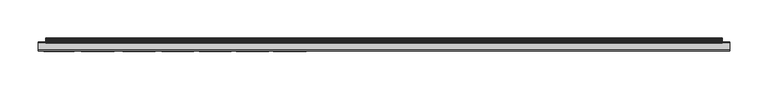
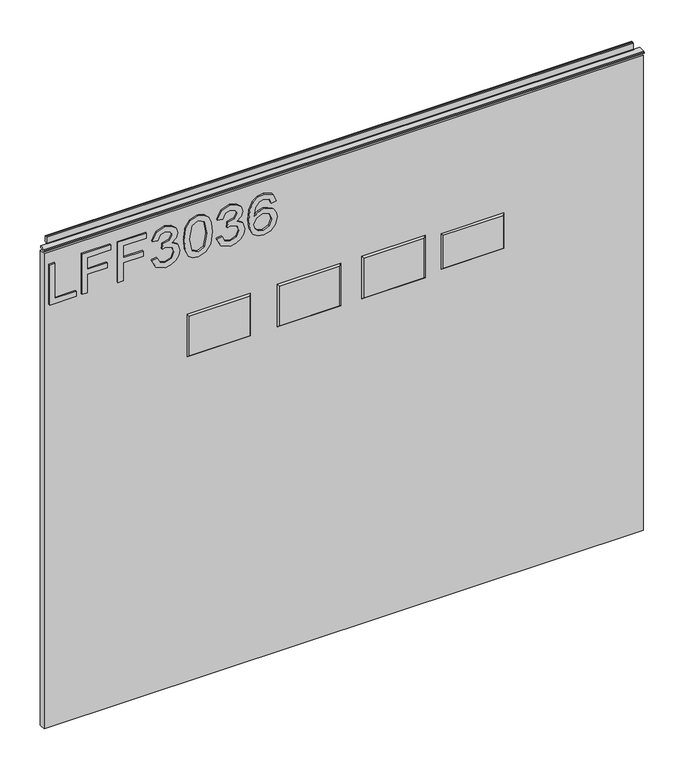
"""IFC4 building model written with IfcOpenShell, lengths in millimetres: furniture geometry."""

from ifc_helpers import new_model, si_unit, frame, origin, place, context, project, spatial, polyline, outline, extrude, faceted_brep, source, transform, mapped, element, save


def furniture_1a2e1540(model_context):
    return source(origin(), model_context, "Body", "SolidModel", [
        extrude(outline(polyline([(773.6078, -291.2164221), (773.6078, -251.347824), (781.5815196, -251.347824), (781.5815196, -283.2427025), (837.3975569, -283.2427025), (837.3975569, -291.2164221), (773.6078, -291.2164221)])), frame((0.0, -5.5495814, 0.0), z_axis=(0.0, 1.0, 0.0), x_axis=(0.0, 0.0, 1.0)), (0.0, 0.0, 1.0), 2.38125),
        extrude(outline(polyline([(773.6078, -242.3773894), (773.6078, -234.4036698), (802.5125336, -234.4036698), (802.5125336, -204.5022213), (810.4862532, -204.5022213), (810.4862532, -234.4036698), (829.4238373, -234.4036698), (829.4238373, -199.5186465), (837.3975569, -199.5186465), (837.3975569, -242.3773894), (773.6078, -242.3773894)])), frame((0.0, -5.5495814, 0.0), z_axis=(0.0, 1.0, 0.0), x_axis=(0.0, 0.0, 1.0)), (0.0, 0.0, 1.0), 2.38125),
        extrude(outline(polyline([(773.6078, -188.554782), (773.6078, -180.5810624), (802.5125336, -180.5810624), (802.5125336, -150.6796138), (810.4862532, -150.6796138), (810.4862532, -180.5810624), (829.4238373, -180.5810624), (829.4238373, -145.6960391), (837.3975569, -145.6960391), (837.3975569, -188.554782), (773.6078, -188.554782)])), frame((0.0, -5.5495814, 0.0), z_axis=(0.0, 1.0, 0.0), x_axis=(0.0, 0.0, 1.0)), (0.0, 0.0, 1.0), 2.38125),
        extrude(outline(polyline([(790.5519542, -137.7223194), (777.6102335, -131.3838353), (772.611085, -117.3986786), (774.0750101, -108.8759871), (778.4667854, -101.9651705), (784.9610063, -97.3865112), (792.7322681, -95.8602915), (803.1043331, -98.912731), (808.555118, -107.6028395), (813.8345925, -101.0618976), (821.1853653, -98.8504363), (829.2291664, -101.1787001), (835.2094562, -107.9065261), (837.3975569, -117.523268), (832.9590607, -130.2002363), (820.4534028, -136.7256045), (819.4566878, -128.7518849), (826.9320499, -124.8428934), (829.4238373, -117.2429419), (826.9554105, -109.7364324), (820.7181552, -106.8241559), (813.6788558, -110.8421631), (811.4829682, -121.167507), (803.5092486, -122.0552063), (804.3813742, -116.4642584), (801.11869, -107.4003818), (792.8724312, -103.8340111), (784.120028, -107.4315291), (780.5848047, -117.1183525), (783.1544604, -125.3490377), (791.5486691, -129.7485998), (790.5519542, -137.7223194)])), frame((0.0, -5.5495814, 0.0), z_axis=(0.0, 1.0, 0.0), x_axis=(0.0, 0.0, 1.0)), (0.0, 0.0, 1.0), 2.38125),
        extrude(outline(polyline([(804.9887473, -88.8832868), (789.4734775, -87.2947723), (778.6848168, -82.529229), (774.129518, -76.2374658), (772.611085, -67.9522728), (776.1073742, -56.2798063), (786.7130443, -49.3417358), (804.9887473, -47.0212588), (819.9784058, -48.4696102), (829.4160505, -52.2072913), (835.3418324, -58.6392175), (837.3975569, -67.9522728), (833.9246283, -79.5780183), (823.3423188, -86.5394493), (804.9887473, -88.8832868)]), holes=[polyline([(805.004321, -80.9095672), (825.1566514, -77.0472967), (829.4238373, -68.0457148), (824.5804256, -58.6080701), (805.004321, -54.9949784), (785.2179718, -58.7326595), (780.5848047, -67.9522728), (785.2023982, -77.1718861), (805.004321, -80.9095672)])]), frame((0.0, -5.5495814, 0.0), z_axis=(0.0, 1.0, 0.0), x_axis=(0.0, 0.0, 1.0)), (0.0, 0.0, 1.0), 2.38125),
        extrude(outline(polyline([(790.5519542, -40.0442541), (777.6102335, -33.70577), (772.611085, -19.7206133), (774.0750101, -11.1979218), (778.4667854, -4.2871052), (784.9610063, 0.2915541), (792.7322681, 1.8177739), (803.1043331, -1.2346657), (808.555118, -9.9247742), (813.8345925, -3.3838323), (821.1853653, -1.172371), (829.2291664, -3.5006348), (835.2094562, -10.2284607), (837.3975569, -19.8452027), (832.9590607, -32.522171), (820.4534028, -39.0475392), (819.4566878, -31.0738196), (826.9320499, -27.1648281), (829.4238373, -19.5648766), (826.9554105, -12.0583671), (820.7181552, -9.1460906), (813.6788558, -13.1640978), (811.4829682, -23.4894417), (803.5092486, -24.377141), (804.3813742, -18.786193), (801.11869, -9.7223164), (792.8724312, -6.1559457), (784.120028, -9.7534638), (780.5848047, -19.4402872), (783.1544604, -27.6709724), (791.5486691, -32.0705345), (790.5519542, -40.0442541)])), frame((0.0, -5.5495814, 0.0), z_axis=(0.0, 1.0, 0.0), x_axis=(0.0, 0.0, 1.0)), (0.0, 0.0, 1.0), 2.38125),
        extrude(outline(polyline([(820.4534028, 49.6600916), (832.896766, 43.7732439), (837.3975569, 31.1741439), (835.5793308, 21.9194899), (830.1246525, 14.7750682), (819.2659103, 9.5423147), (803.3846592, 7.7980636), (789.2593395, 9.3690577), (779.7749738, 14.0820399), (774.4020572, 21.2868095), (772.611085, 30.3331657), (775.313117, 40.783099), (783.0999526, 48.0248561), (794.1027512, 50.6568065), (802.2750351, 49.2590695), (808.7887231, 45.0658586), (814.473113, 31.5167647), (812.3940279, 22.8032957), (806.0321833, 15.7717832), (820.2431582, 18.0377523), (827.4927021, 23.4807504), (829.4238373, 30.6757865), (826.1066454, 38.6650798), (819.4566878, 41.686372), (820.4534028, 49.6600916)]), holes=[polyline([(794.2273406, 15.7717832), (803.11212, 19.7352825), (806.4993934, 29.3831718), (803.11212, 39.1556504), (793.8379988, 42.6830869), (784.1511754, 39.1089294), (780.5848047, 29.7102189), (782.3056953, 22.5229696), (787.3204174, 17.6172632), (794.2273406, 15.7717832)])]), frame((0.0, -5.5495814, 0.0), z_axis=(0.0, 1.0, 0.0), x_axis=(0.0, 0.0, 1.0)), (0.0, 0.0, 1.0), 2.38125),
        faceted_brep([(390.652, -5.2069939, 677.1132), (300.99, -5.2069939, 677.1132), (300.99, -5.2069939, 625.0432), (390.652, -5.2069939, 625.0432), (392.938, -3.1749939, 679.3992), (392.938, -3.1749939, 622.7572), (298.704, -3.1749939, 622.7572), (298.704, -3.1749939, 679.3992)], [[[0, 1, 2, 3]], [[4, 5, 6, 7]], [[4, 7, 1, 0]], [[7, 6, 2, 1]], [[6, 5, 3, 2]], [[5, 4, 0, 3]]]),
        faceted_brep([(272.4023, -5.2069939, 682.5742), (181.7243, -5.2069939, 682.5742), (181.7243, -5.2069939, 619.5822), (272.4023, -5.2069939, 619.5822), (274.6883, -3.1749939, 684.8602), (274.6883, -3.1749939, 617.2962), (179.4383, -3.1749939, 617.2962), (179.4383, -3.1749939, 684.8602)], [[[0, 1, 2, 3]], [[4, 5, 6, 7]], [[4, 7, 1, 0]], [[7, 6, 2, 1]], [[6, 5, 3, 2]], [[5, 4, 0, 3]]]),
        faceted_brep([(145.4023, -5.2069939, 682.5742), (54.7243, -5.2069939, 682.5742), (54.7243, -5.2069939, 619.5822), (145.4023, -5.2069939, 619.5822), (147.6883, -3.1749939, 684.8602), (147.6883, -3.1749939, 617.2962), (52.4383, -3.1749939, 617.2962), (52.4383, -3.1749939, 684.8602)], [[[0, 1, 2, 3]], [[4, 5, 6, 7]], [[4, 7, 1, 0]], [[7, 6, 2, 1]], [[6, 5, 3, 2]], [[5, 4, 0, 3]]]),
        faceted_brep([(9.6647, -5.2069939, 682.5742), (-81.0133, -5.2069939, 682.5742), (-81.0133, -5.2069939, 619.5822), (9.6647, -5.2069939, 619.5822), (11.9507, -3.1749939, 684.8602), (11.9507, -3.1749939, 617.2962), (-83.2993, -3.1749939, 617.2962), (-83.2993, -3.1749939, 684.8602)], [[[0, 1, 2, 3]], [[4, 5, 6, 7]], [[4, 7, 1, 0]], [[7, 6, 2, 1]], [[6, 5, 3, 2]], [[5, 4, 0, 3]]]),
        extrude(outline(polyline([(-298.196, 6.3500061), (602.488, 6.3500061), (602.488, -3.1749939), (-298.196, -3.1749939), (-298.196, 6.3500061)])), frame((0.0, 0.0, 101.6), z_axis=(0.0, 0.0, 1.0), x_axis=(1.0, 0.0, 0.0)), (0.0, 0.0, 1.0), 754.5578),
        extrude(outline(polyline([(5.5562561, 863.6), (6.3500061, 863.6), (6.3500061, 873.47425), (7.1437561, 874.268), (8.6677569, 874.268), (10.0084363, 873.8506926), (10.875413, 872.7461816), (10.9623604, 871.3447591), (10.2390011, 868.3863459), (10.4046103, 867.1833307), (11.6746103, 864.9836103), (10.7786383, 864.4663244), (7.1437561, 864.4663244), (7.1437561, 863.6), (6.3500061, 863.3669239), (6.3500061, 856.1578), (5.5562561, 856.1578), (5.5562561, 863.6)])), frame((-288.671, 0.0, 0.0), z_axis=(1.0, 0.0, 0.0), x_axis=(0.0, 1.0, 0.0)), (0.0, 0.0, 1.0), 881.634),
        extrude(outline(polyline([(5.5562561, 863.6), (5.5562561, 860.4249996), (-3.975094, 860.4249996), (-5.3492339, 861.2183657), (-5.3492339, 862.8066395), (-3.9751037, 863.6), (5.5562561, 863.6)])), frame((-298.196, 0.0, 0.0), z_axis=(1.0, 0.0, 0.0), x_axis=(0.0, 1.0, 0.0)), (0.0, 0.0, 1.0), 900.684),
    ])


if __name__ == "__main__":
    model = new_model("IFC4")
    model_context = context("Model", 3, world=origin())
    ifc_project = project(units=[si_unit("LENGTHUNIT", "METRE", prefix="MILLI")], contexts=[model_context])
    site = spatial("IfcSite", under=ifc_project)
    building = spatial("IfcBuilding", under=site)
    placement = place(None, origin())
    furniture_shape = furniture_1a2e1540(model_context)
    element("IfcFurniture", 1, at=placement, inside=building, context=model_context, shape_type="MappedRepresentation", body=[
        mapped(furniture_shape, transform((0.0, 0.0, 0.0), x_axis=(1.0, 0.0, 0.0), y_axis=(0.0, 1.0, 0.0), z_axis=(0.0, 0.0, 1.0))),
    ])
    save(model, "model.ifc")
